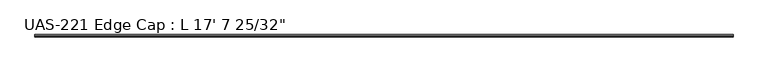
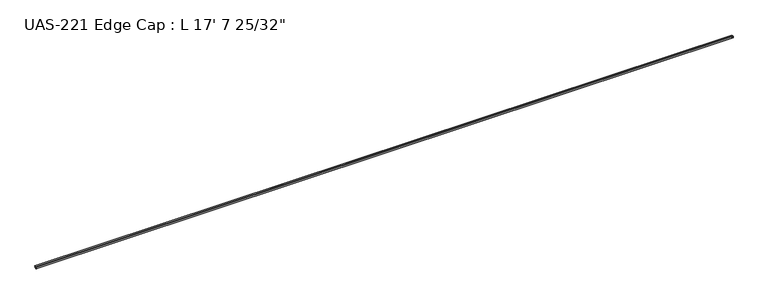
"""IFC4 building model written with IfcOpenShell, lengths in millimetres: proxy geometry."""

from ifc_helpers import new_model, si_unit, point, frame, frame_2d, origin, place, context, project, spatial, polyline, circle_curve, trimmed, segment, composite_curve, outline, extrude, source, transform, mapped, element, save


def proxy_9f9d2f1e(model_context):
    return source(origin(), model_context, "Body", "SweptSolid", [
        extrude(outline(composite_curve([segment(polyline([(0.0, 1.5875), (0.0, 14.2875), (3.48615, 14.2875)]), True, "CONTINUOUS"), segment(trimmed(circle_curve(frame_2d((5.07365, 14.2875)), 1.5875), [point((3.48615, 14.2875))], [point((6.66115, 14.2875))], False, "CARTESIAN"), True, "CONTINUOUS"), segment(polyline([(6.66115, 14.2875), (17.4398781, 14.2875), (17.4398781, 13.2461984)]), True, "CONTINUOUS"), segment(trimmed(circle_curve(frame_2d((16.7123859, 13.2461984)), 0.7274922), [point((17.4398781, 13.2461984))], [point((16.8595257, 12.5337415))], False, "CARTESIAN"), True, "CONTINUOUS"), segment(polyline([(16.8595257, 12.5337415), (15.3531342, 12.7274604), (14.5147118, 12.471129), (13.6762893, 12.7274604), (12.8378669, 12.471129), (11.9994444, 12.7274604), (11.161022, 12.471129), (10.3225996, 12.7274604), (9.4841771, 12.471129), (8.844516, 13.11079), (6.6878438, 13.11079), (5.8069017, 12.7), (1.5875, 12.7), (1.5875, 9.525), (1.0783361, 8.9182021), (1.0783361, 7.9375), (1.0783361, 6.9567979), (1.5875, 6.35), (1.5875, 3.175), (5.8069017, 3.175), (6.6878438, 2.76421), (8.844516, 2.76421), (9.4841771, 3.403871), (10.3225996, 3.1475396), (11.161022, 3.403871), (11.9994444, 3.1475396), (12.8378669, 3.403871), (13.6762893, 3.1475396), (14.5147118, 3.403871), (15.3531342, 3.1475396), (16.8595257, 3.3412585)]), True, "CONTINUOUS"), segment(trimmed(circle_curve(frame_2d((16.7123859, 2.6288016)), 0.7274922), [point((16.8595257, 3.3412585))], [point((17.4398781, 2.6288016))], False, "CARTESIAN"), True, "CONTINUOUS"), segment(polyline([(17.4398781, 2.6288016), (17.4398781, 1.5875), (6.66115, 1.5875)]), True, "CONTINUOUS"), segment(trimmed(circle_curve(frame_2d((5.07365, 1.5875)), 1.5875), [point((6.66115, 1.5875))], [point((3.48615, 1.5875))], False, "CARTESIAN"), True, "CONTINUOUS"), segment(polyline([(3.48615, 1.5875), (0.0, 1.5875)]), True, "CONTINUOUS")], self_intersect=False)), frame((0.0, 0.0, 0.0), z_axis=(1.0, 0.0, 0.0), x_axis=(0.0, 1.0, 0.0)), (0.0, 0.0, 1.0), 5379.24375),
    ])


if __name__ == "__main__":
    model = new_model("IFC4")
    model_context = context("Model", 3, world=origin())
    ifc_project = project(units=[si_unit("LENGTHUNIT", "METRE", prefix="MILLI")], contexts=[model_context])
    site = spatial("IfcSite", under=ifc_project)
    building = spatial("IfcBuilding", under=site)
    placement = place(None, origin())
    proxy_shape = proxy_9f9d2f1e(model_context)
    element("IfcBuildingElementProxy", 1, Name="UAS-221 Edge Cap : L 17' 7 25/32\"", ObjectType="UAS-221 Edge Cap : L 17' 7 25/32\"", at=placement, inside=building, context=model_context, shape_type="MappedRepresentation", body=[
        mapped(proxy_shape, transform((0.0, 0.0, 0.0), x_axis=(1.0, 0.0, 0.0), y_axis=(0.0, 1.0, 0.0), z_axis=(0.0, 0.0, 1.0))),
    ])
    save(model, "model.ifc")
